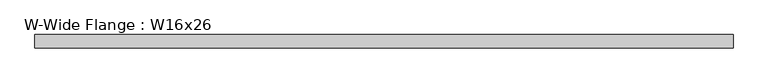
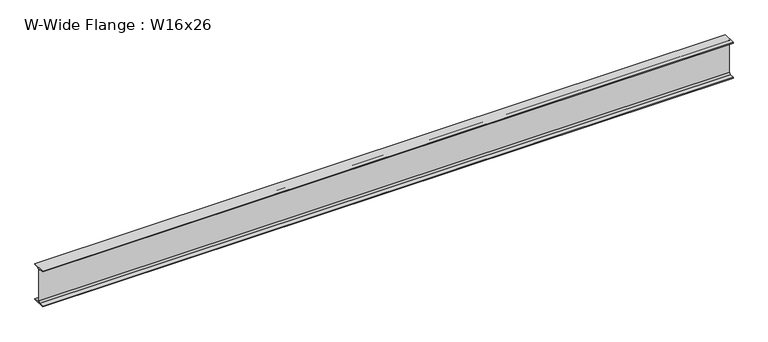
"""IFC4 building model written with IfcOpenShell, lengths in millimetres: beam geometry, W-Wide Flange : W16x26."""

import ifcopenshell
import ifcopenshell.guid

model = None  # the IFC model being written
_history = None  # IfcOwnerHistory: only IFC2X3 demands one
_inside = {}  # id of a spatial element -> (the spatial element, [elements in it])
_under = {}  # id of a project, library or spatial element -> (it, [spatial elements below it])
_declared = {}  # id of a project -> (the project, [libraries it declares])
_typed = {}  # id of a type object -> (the type object, [elements of that type])
_made_of = {}  # id of a material, layer set ... -> (it, [elements and type objects made of it])


def new_model(schema):
    """Start an empty IFC model of exactly this schema.

    Asked for "IFC4X3", IfcOpenShell would pick the latest addendum, in which some entities
    have other attributes; the version numbers below select the first issue.
    IFC2X3 requires an IfcOwnerHistory on every rooted entity: one is made here for all.
    """
    global model, _history
    if schema == "IFC4X3":
        model = ifcopenshell.file(schema_version=(4, 3, 0, 0))
    else:
        model = ifcopenshell.file(schema=schema)
    _inside.clear()
    _under.clear()
    _declared.clear()
    _typed.clear()
    _made_of.clear()
    _history = None
    if model.schema == "IFC2X3":
        org = make("IfcOrganization", Name="unknown")
        user = make(
            "IfcPersonAndOrganization",
            ThePerson=make("IfcPerson", FamilyName="unknown"),
            TheOrganization=org,
        )
        app = make(
            "IfcApplication",
            ApplicationDeveloper=org,
            Version="unknown",
            ApplicationFullName="unknown",
            ApplicationIdentifier="unknown",
        )
        _history = make(
            "IfcOwnerHistory",
            OwningUser=user,
            OwningApplication=app,
            ChangeAction="ADDED",
            CreationDate=0,
        )
    return model


def make(cls, **values):
    """One entity of the class cls with the attributes given. An attribute that is None is left unset."""
    return model.create_entity(
        cls, **{name: value for name, value in values.items() if value is not None}
    )


def rooted(cls, **values):
    """An entity with a GlobalId (a new one), such as an element, a storey or a relation."""
    return make(cls, GlobalId=ifcopenshell.guid.new(), OwnerHistory=_history, **values)


def si_unit(unit_type, name, prefix=None):
    """IfcSIUnit, for example si_unit("LENGTHUNIT", "METRE", prefix="MILLI")."""
    return make("IfcSIUnit", UnitType=unit_type, Prefix=prefix, Name=name)


def assignment(units):
    """IfcUnitAssignment: the units of a project."""
    return None if units is None else make("IfcUnitAssignment", Units=units)


def point(xyz):
    """IfcCartesianPoint."""
    return None if xyz is None else make("IfcCartesianPoint", Coordinates=xyz)


def direction(xyz):
    """IfcDirection."""
    return None if xyz is None else make("IfcDirection", DirectionRatios=xyz)


def frame(location, z_axis=None, x_axis=None):
    """IfcAxis2Placement3D, a coordinate frame: its origin and axes. An axis left out is left unset."""
    return make(
        "IfcAxis2Placement3D",
        Location=point(location),
        Axis=direction(z_axis),
        RefDirection=direction(x_axis),
    )


def frame_2d(location, x_axis=None):
    """IfcAxis2Placement2D, a coordinate frame in the plane: its origin and x axis."""
    return make(
        "IfcAxis2Placement2D", Location=point(location), RefDirection=direction(x_axis)
    )


def origin():
    """The frame at (0, 0, 0) with its axes left unset."""
    return frame((0.0, 0.0, 0.0))


def place(relative_to, where):
    """IfcLocalPlacement: puts the frame where relative to a parent placement (None: the world)."""
    return make(
        "IfcLocalPlacement", PlacementRelTo=relative_to, RelativePlacement=where
    )


def context(
    kind, dimensions, precision=None, world=None, true_north=None, identifier=None
):
    """IfcGeometricRepresentationContext, for example the 3D "Model" context."""
    return make(
        "IfcGeometricRepresentationContext",
        ContextIdentifier=identifier,
        ContextType=kind,
        CoordinateSpaceDimension=dimensions,
        Precision=precision,
        WorldCoordinateSystem=world,
        TrueNorth=true_north,
    )


def project(units=None, contexts=None):
    """IfcProject with its units and contexts."""
    return rooted(
        "IfcProject",
        Name="project",
        RepresentationContexts=contexts,
        UnitsInContext=assignment(units),
    )


def spatial(cls, under=None, at=None, **own):
    """A site, building, storey or space (cls), placed at a placement, below another one or the project."""
    s = rooted(cls, ObjectPlacement=at, **own)
    if under is not None:
        _under.setdefault(under.id(), (under, []))[1].append(s)
    return s


def polyline(points):
    """IfcPolyline through the points."""
    return make("IfcPolyline", Points=[point(p) for p in points])


def circle_curve(where, radius):
    """IfcCircle in the frame where."""
    return make("IfcCircle", Position=where, Radius=radius)


def trimmed(basis, trim1, trim2, sense, master):
    """IfcTrimmedCurve: the piece of a basis curve between two trims."""
    return make(
        "IfcTrimmedCurve",
        BasisCurve=basis,
        Trim1=trim1,
        Trim2=trim2,
        SenseAgreement=sense,
        MasterRepresentation=master,
    )


def segment(curve, same_sense, transition):
    """IfcCompositeCurveSegment."""
    return make(
        "IfcCompositeCurveSegment",
        Transition=transition,
        SameSense=same_sense,
        ParentCurve=curve,
    )


def composite_curve(segments, self_intersect=None):
    """IfcCompositeCurve: segments joined end to end."""
    return make("IfcCompositeCurve", Segments=segments, SelfIntersect=self_intersect)


def outline(outer, holes=None, kind="AREA"):
    """IfcArbitraryClosedProfileDef: a profile drawn as a closed curve; with holes, ...WithVoids."""
    if holes is None:
        return make("IfcArbitraryClosedProfileDef", ProfileType=kind, OuterCurve=outer)
    return make(
        "IfcArbitraryProfileDefWithVoids",
        ProfileType=kind,
        OuterCurve=outer,
        InnerCurves=holes,
    )


def extrude(swept, where, along, depth):
    """IfcExtrudedAreaSolid: the profile swept, set in the frame where, extruded along a direction by depth."""
    return make(
        "IfcExtrudedAreaSolid",
        SweptArea=swept,
        Position=where,
        ExtrudedDirection=direction(along),
        Depth=depth,
    )


def shape(context_of_items, identifier, shape_type, items):
    """IfcShapeRepresentation: the items that make up one representation, for example the "Body"."""
    return make(
        "IfcShapeRepresentation",
        ContextOfItems=context_of_items,
        RepresentationIdentifier=identifier,
        RepresentationType=shape_type,
        Items=items,
    )


def source(mapping_origin, context_of_items, identifier, shape_type, items):
    """IfcRepresentationMap: a shape defined once, which mapped items show again and again."""
    return make(
        "IfcRepresentationMap",
        MappingOrigin=mapping_origin,
        MappedRepresentation=shape(context_of_items, identifier, shape_type, items),
    )


def transform(
    local_origin,
    x_axis=None,
    y_axis=None,
    z_axis=None,
    scale=None,
    scale2=None,
    scale3=None,
    uniform=True,
):
    """IfcCartesianTransformationOperator3D, or its non-uniform kind. x_axis, y_axis, z_axis: its Axis1, 2, 3."""
    if uniform:
        return make(
            "IfcCartesianTransformationOperator3D",
            Axis1=direction(x_axis),
            Axis2=direction(y_axis),
            LocalOrigin=point(local_origin),
            Scale=scale,
            Axis3=direction(z_axis),
        )
    return make(
        "IfcCartesianTransformationOperator3DnonUniform",
        Axis1=direction(x_axis),
        Axis2=direction(y_axis),
        LocalOrigin=point(local_origin),
        Scale=scale,
        Axis3=direction(z_axis),
        Scale2=scale2,
        Scale3=scale3,
    )


def mapped(mapping_source, mapping_target):
    """IfcMappedItem: shows the shape of a source again, moved by a transform."""
    return make(
        "IfcMappedItem", MappingSource=mapping_source, MappingTarget=mapping_target
    )


def made_of(thing, what):
    """Note that an element or type object is made of a material, layer set ...; save() writes the relation."""
    if what is not None:
        _made_of.setdefault(what.id(), (what, []))[1].append(thing)
    return thing


def element(
    cls,
    number,
    at=None,
    inside=None,
    cuts=None,
    type_object=None,
    material=None,
    context=None,
    identifier="Body",
    shape_type=None,
    held_by="IfcProductDefinitionShape",
    body=None,
    shapes=None,
    **own,
):
    """One element of the class cls, such as IfcWall. Its Tag is "e" and its number.

    at: its placement. inside: the storey or other place that contains it. cuts: it is an
    opening in that element (IfcRelVoidsElement). A single representation is given by context,
    identifier, shape_type and body (its items); several are given by shapes. held_by: the class
    of the entity that holds the representations. save() writes the other relations.
    """
    e = rooted(cls, Tag="e%d" % number, ObjectPlacement=at, **own)
    if body is not None:
        shapes = [shape(context, identifier, shape_type, body)]
    if shapes is not None:
        e.Representation = make(held_by, Representations=shapes)
    if inside is not None:
        _inside.setdefault(inside.id(), (inside, []))[1].append(e)
    if cuts is not None:
        rooted(
            "IfcRelVoidsElement", RelatingBuildingElement=cuts, RelatedOpeningElement=e
        )
    if type_object is not None:
        _typed.setdefault(type_object.id(), (type_object, []))[1].append(e)
    return made_of(e, material)


def aggregate(whole, parts):
    """IfcRelAggregates: a whole, such as a stair, and the parts it consists of."""
    return rooted("IfcRelAggregates", RelatingObject=whole, RelatedObjects=parts)


def save(model, path):
    """Write the relations noted so far, then the file.

    IfcRelAggregates (storeys below a building ...), IfcRelContainedInSpatialStructure (elements
    in a storey), IfcRelDefinesByType, IfcRelAssociatesMaterial and IfcRelDeclares: one each for
    every whole, place, type object, material and project.
    """
    for whole, parts in _under.values():
        aggregate(whole, parts)
    for where, things in _inside.values():
        rooted(
            "IfcRelContainedInSpatialStructure",
            RelatedElements=things,
            RelatingStructure=where,
        )
    for kind, things in _typed.values():
        rooted("IfcRelDefinesByType", RelatedObjects=things, RelatingType=kind)
    for what, things in _made_of.values():
        rooted("IfcRelAssociatesMaterial", RelatedObjects=things, RelatingMaterial=what)
    for by, libraries in _declared.values():
        rooted("IfcRelDeclares", RelatingContext=by, RelatedDefinitions=libraries)
    model.write(path)


def w_wide_flange_w16x26_d6a46205(model_context):
    return source(origin(), model_context, "Body", "SweptSolid", [
        extrude(outline(composite_curve([segment(polyline([(69.85, -190.627), (69.85, -199.39), (-69.85, -199.39), (-69.85, -190.627), (-21.3995, -190.627)]), True, "CONTINUOUS"), segment(trimmed(circle_curve(frame_2d((-21.3995, -172.4025)), 18.2245), [point((-21.3995, -190.627))], [point((-3.175, -172.4025))], True, "CARTESIAN"), True, "CONTINUOUS"), segment(polyline([(-3.175, -172.4025), (-3.175, 172.4025)]), True, "CONTINUOUS"), segment(trimmed(circle_curve(frame_2d((-21.3995, 172.4025)), 18.2245), [point((-3.175, 172.4025))], [point((-21.3995, 190.627))], True, "CARTESIAN"), True, "CONTINUOUS"), segment(polyline([(-21.3995, 190.627), (-69.85, 190.627), (-69.85, 199.39), (69.85, 199.39), (69.85, 190.627), (21.3995, 190.627)]), True, "CONTINUOUS"), segment(trimmed(circle_curve(frame_2d((21.3995, 172.4025)), 18.2245), [point((21.3995, 190.627))], [point((3.175, 172.4025))], True, "CARTESIAN"), True, "CONTINUOUS"), segment(polyline([(3.175, 172.4025), (3.175, -172.4025)]), True, "CONTINUOUS"), segment(trimmed(circle_curve(frame_2d((21.3995, -172.4025)), 18.2245), [point((3.175, -172.4025))], [point((21.3995, -190.627))], True, "CARTESIAN"), True, "CONTINUOUS"), segment(polyline([(21.3995, -190.627), (69.85, -190.627)]), True, "CONTINUOUS")], self_intersect=False)), frame((-3646.1793023, 0.0, 0.0), z_axis=(1.0, 0.0, 0.0), x_axis=(0.0, 1.0, 0.0)), (0.0, 0.0, 1.0), 7292.3586045),
    ])


if __name__ == "__main__":
    model = new_model("IFC4")
    model_context = context("Model", 3, world=origin())
    ifc_project = project(units=[si_unit("LENGTHUNIT", "METRE", prefix="MILLI")], contexts=[model_context])
    site = spatial("IfcSite", under=ifc_project)
    building = spatial("IfcBuilding", under=site)
    placement = place(None, origin())
    w_wide_flange_w16x26_shape = w_wide_flange_w16x26_d6a46205(model_context)
    element("IfcBeam", 1, ObjectType="W-Wide Flange : W16x26", at=placement, inside=building, context=model_context, shape_type="MappedRepresentation", body=[
        mapped(w_wide_flange_w16x26_shape, transform((0.0, 0.0, 0.0), x_axis=(1.0, 0.0, 0.0), y_axis=(0.0, 1.0, 0.0), z_axis=(0.0, 0.0, 1.0))),
    ])
    save(model, "model.ifc")
